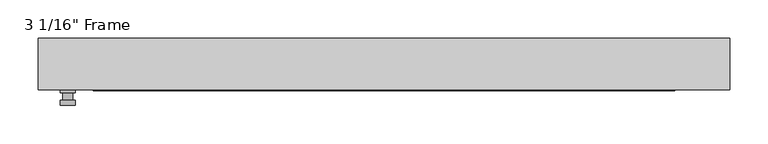
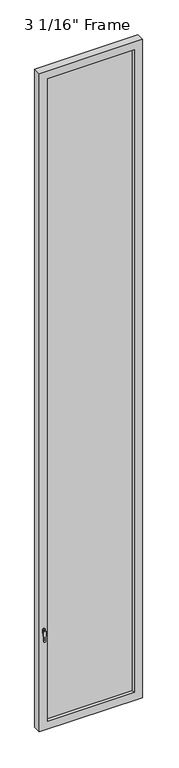
"""IFC4 building model written with IfcOpenShell, lengths in millimetres: plate geometry."""

import ifcopenshell
import ifcopenshell.guid

model = None  # the IFC model being written
_history = None  # IfcOwnerHistory: only IFC2X3 demands one
_inside = {}  # id of a spatial element -> (the spatial element, [elements in it])
_under = {}  # id of a project, library or spatial element -> (it, [spatial elements below it])
_declared = {}  # id of a project -> (the project, [libraries it declares])
_typed = {}  # id of a type object -> (the type object, [elements of that type])
_made_of = {}  # id of a material, layer set ... -> (it, [elements and type objects made of it])


def new_model(schema):
    """Start an empty IFC model of exactly this schema.

    Asked for "IFC4X3", IfcOpenShell would pick the latest addendum, in which some entities
    have other attributes; the version numbers below select the first issue.
    IFC2X3 requires an IfcOwnerHistory on every rooted entity: one is made here for all.
    """
    global model, _history
    if schema == "IFC4X3":
        model = ifcopenshell.file(schema_version=(4, 3, 0, 0))
    else:
        model = ifcopenshell.file(schema=schema)
    _inside.clear()
    _under.clear()
    _declared.clear()
    _typed.clear()
    _made_of.clear()
    _history = None
    if model.schema == "IFC2X3":
        org = make("IfcOrganization", Name="unknown")
        user = make(
            "IfcPersonAndOrganization",
            ThePerson=make("IfcPerson", FamilyName="unknown"),
            TheOrganization=org,
        )
        app = make(
            "IfcApplication",
            ApplicationDeveloper=org,
            Version="unknown",
            ApplicationFullName="unknown",
            ApplicationIdentifier="unknown",
        )
        _history = make(
            "IfcOwnerHistory",
            OwningUser=user,
            OwningApplication=app,
            ChangeAction="ADDED",
            CreationDate=0,
        )
    return model


def make(cls, **values):
    """One entity of the class cls with the attributes given. An attribute that is None is left unset."""
    return model.create_entity(
        cls, **{name: value for name, value in values.items() if value is not None}
    )


def rooted(cls, **values):
    """An entity with a GlobalId (a new one), such as an element, a storey or a relation."""
    return make(cls, GlobalId=ifcopenshell.guid.new(), OwnerHistory=_history, **values)


def si_unit(unit_type, name, prefix=None):
    """IfcSIUnit, for example si_unit("LENGTHUNIT", "METRE", prefix="MILLI")."""
    return make("IfcSIUnit", UnitType=unit_type, Prefix=prefix, Name=name)


def assignment(units):
    """IfcUnitAssignment: the units of a project."""
    return None if units is None else make("IfcUnitAssignment", Units=units)


def point(xyz):
    """IfcCartesianPoint."""
    return None if xyz is None else make("IfcCartesianPoint", Coordinates=xyz)


def direction(xyz):
    """IfcDirection."""
    return None if xyz is None else make("IfcDirection", DirectionRatios=xyz)


def frame(location, z_axis=None, x_axis=None):
    """IfcAxis2Placement3D, a coordinate frame: its origin and axes. An axis left out is left unset."""
    return make(
        "IfcAxis2Placement3D",
        Location=point(location),
        Axis=direction(z_axis),
        RefDirection=direction(x_axis),
    )


def origin():
    """The frame at (0, 0, 0) with its axes left unset."""
    return frame((0.0, 0.0, 0.0))


def place(relative_to, where):
    """IfcLocalPlacement: puts the frame where relative to a parent placement (None: the world)."""
    return make(
        "IfcLocalPlacement", PlacementRelTo=relative_to, RelativePlacement=where
    )


def context(
    kind, dimensions, precision=None, world=None, true_north=None, identifier=None
):
    """IfcGeometricRepresentationContext, for example the 3D "Model" context."""
    return make(
        "IfcGeometricRepresentationContext",
        ContextIdentifier=identifier,
        ContextType=kind,
        CoordinateSpaceDimension=dimensions,
        Precision=precision,
        WorldCoordinateSystem=world,
        TrueNorth=true_north,
    )


def project(units=None, contexts=None):
    """IfcProject with its units and contexts."""
    return rooted(
        "IfcProject",
        Name="project",
        RepresentationContexts=contexts,
        UnitsInContext=assignment(units),
    )


def spatial(cls, under=None, at=None, **own):
    """A site, building, storey or space (cls), placed at a placement, below another one or the project."""
    s = rooted(cls, ObjectPlacement=at, **own)
    if under is not None:
        _under.setdefault(under.id(), (under, []))[1].append(s)
    return s


def polyline(points):
    """IfcPolyline through the points."""
    return make("IfcPolyline", Points=[point(p) for p in points])


def circle_curve(where, radius):
    """IfcCircle in the frame where."""
    return make("IfcCircle", Position=where, Radius=radius)


def outline(outer, holes=None, kind="AREA"):
    """IfcArbitraryClosedProfileDef: a profile drawn as a closed curve; with holes, ...WithVoids."""
    if holes is None:
        return make("IfcArbitraryClosedProfileDef", ProfileType=kind, OuterCurve=outer)
    return make(
        "IfcArbitraryProfileDefWithVoids",
        ProfileType=kind,
        OuterCurve=outer,
        InnerCurves=holes,
    )


def extrude(swept, where, along, depth):
    """IfcExtrudedAreaSolid: the profile swept, set in the frame where, extruded along a direction by depth."""
    return make(
        "IfcExtrudedAreaSolid",
        SweptArea=swept,
        Position=where,
        ExtrudedDirection=direction(along),
        Depth=depth,
    )


def faces_of(points, faces, orient=None, outer=None):
    """IfcFace entities. A face is a list of loops; a loop is a list of indices into points, from 0.

    orient and outer hold one flag for each loop. By default every Orientation is true, the
    first loop of a face is its IfcFaceOuterBound and the others are IfcFaceBound.
    """
    made = []
    for i, loops in enumerate(faces):
        bounds = []
        for j, loop in enumerate(loops):
            is_outer = j == 0 if outer is None else outer[i][j]
            bounds.append(
                make(
                    "IfcFaceOuterBound" if is_outer else "IfcFaceBound",
                    Bound=make("IfcPolyLoop", Polygon=[points[k] for k in loop]),
                    Orientation=True if orient is None else orient[i][j],
                )
            )
        made.append(make("IfcFace", Bounds=bounds))
    return made


def faceted_brep(points, faces, orient=None, outer=None, voids=None):
    """IfcFacetedBrep: a solid bounded by flat faces; with voids (closed shells), ...WithVoids."""
    shared = [point(p) for p in points]
    hull = make("IfcClosedShell", CfsFaces=faces_of(shared, faces, orient, outer))
    if voids is None:
        return make("IfcFacetedBrep", Outer=hull)
    return make(
        "IfcFacetedBrepWithVoids",
        Outer=hull,
        Voids=[
            make(cls, CfsFaces=faces_of(shared, fs, o, b)) for cls, fs, o, b in voids
        ],
    )


def shape(context_of_items, identifier, shape_type, items):
    """IfcShapeRepresentation: the items that make up one representation, for example the "Body"."""
    return make(
        "IfcShapeRepresentation",
        ContextOfItems=context_of_items,
        RepresentationIdentifier=identifier,
        RepresentationType=shape_type,
        Items=items,
    )


def source(mapping_origin, context_of_items, identifier, shape_type, items):
    """IfcRepresentationMap: a shape defined once, which mapped items show again and again."""
    return make(
        "IfcRepresentationMap",
        MappingOrigin=mapping_origin,
        MappedRepresentation=shape(context_of_items, identifier, shape_type, items),
    )


def transform(
    local_origin,
    x_axis=None,
    y_axis=None,
    z_axis=None,
    scale=None,
    scale2=None,
    scale3=None,
    uniform=True,
):
    """IfcCartesianTransformationOperator3D, or its non-uniform kind. x_axis, y_axis, z_axis: its Axis1, 2, 3."""
    if uniform:
        return make(
            "IfcCartesianTransformationOperator3D",
            Axis1=direction(x_axis),
            Axis2=direction(y_axis),
            LocalOrigin=point(local_origin),
            Scale=scale,
            Axis3=direction(z_axis),
        )
    return make(
        "IfcCartesianTransformationOperator3DnonUniform",
        Axis1=direction(x_axis),
        Axis2=direction(y_axis),
        LocalOrigin=point(local_origin),
        Scale=scale,
        Axis3=direction(z_axis),
        Scale2=scale2,
        Scale3=scale3,
    )


def mapped(mapping_source, mapping_target):
    """IfcMappedItem: shows the shape of a source again, moved by a transform."""
    return make(
        "IfcMappedItem", MappingSource=mapping_source, MappingTarget=mapping_target
    )


def made_of(thing, what):
    """Note that an element or type object is made of a material, layer set ...; save() writes the relation."""
    if what is not None:
        _made_of.setdefault(what.id(), (what, []))[1].append(thing)
    return thing


def element(
    cls,
    number,
    at=None,
    inside=None,
    cuts=None,
    type_object=None,
    material=None,
    context=None,
    identifier="Body",
    shape_type=None,
    held_by="IfcProductDefinitionShape",
    body=None,
    shapes=None,
    **own,
):
    """One element of the class cls, such as IfcWall. Its Tag is "e" and its number.

    at: its placement. inside: the storey or other place that contains it. cuts: it is an
    opening in that element (IfcRelVoidsElement). A single representation is given by context,
    identifier, shape_type and body (its items); several are given by shapes. held_by: the class
    of the entity that holds the representations. save() writes the other relations.
    """
    e = rooted(cls, Tag="e%d" % number, ObjectPlacement=at, **own)
    if body is not None:
        shapes = [shape(context, identifier, shape_type, body)]
    if shapes is not None:
        e.Representation = make(held_by, Representations=shapes)
    if inside is not None:
        _inside.setdefault(inside.id(), (inside, []))[1].append(e)
    if cuts is not None:
        rooted(
            "IfcRelVoidsElement", RelatingBuildingElement=cuts, RelatedOpeningElement=e
        )
    if type_object is not None:
        _typed.setdefault(type_object.id(), (type_object, []))[1].append(e)
    return made_of(e, material)


def aggregate(whole, parts):
    """IfcRelAggregates: a whole, such as a stair, and the parts it consists of."""
    return rooted("IfcRelAggregates", RelatingObject=whole, RelatedObjects=parts)


def save(model, path):
    """Write the relations noted so far, then the file.

    IfcRelAggregates (storeys below a building ...), IfcRelContainedInSpatialStructure (elements
    in a storey), IfcRelDefinesByType, IfcRelAssociatesMaterial and IfcRelDeclares: one each for
    every whole, place, type object, material and project.
    """
    for whole, parts in _under.values():
        aggregate(whole, parts)
    for where, things in _inside.values():
        rooted(
            "IfcRelContainedInSpatialStructure",
            RelatedElements=things,
            RelatingStructure=where,
        )
    for kind, things in _typed.values():
        rooted("IfcRelDefinesByType", RelatedObjects=things, RelatingType=kind)
    for what, things in _made_of.values():
        rooted("IfcRelAssociatesMaterial", RelatedObjects=things, RelatingMaterial=what)
    for by, libraries in _declared.values():
        rooted("IfcRelDeclares", RelatingContext=by, RelatedDefinitions=libraries)
    model.write(path)


def plane_surface(at):
    """IfcPlane: the flat surface through the origin of the frame at, square to its z axis."""
    return make("IfcPlane", Position=at)


def cylinder_surface(at, radius):
    """IfcCylindricalSurface: all points at the distance radius from the z axis of the frame at."""
    return make("IfcCylindricalSurface", Position=at, Radius=radius)


def advanced_brep(points, edges, surfaces, faces):
    """IfcAdvancedBrep: a solid bounded by faces that lie on surfaces and meet in shared edges.

    An edge is (start, end): straight between two places in points (the first is 0);
    or (start, end, curve); or (start, end, curve, False) where it runs against its curve.
    A face is (place in surfaces, loops), or (place, loops, False) where it looks against
    its surface's normal. A loop lists edges by number (the first is 1), with a minus sign
    where the edge is run from its end to its start. The first loop is the outer one.
    """
    corners = [point(p) for p in points]
    vertices = [make("IfcVertexPoint", VertexGeometry=c) for c in corners]
    made = []
    for start, end, *more in edges:
        made.append(
            make(
                "IfcEdgeCurve",
                EdgeStart=vertices[start],
                EdgeEnd=vertices[end],
                EdgeGeometry=more[0] if more else make("IfcPolyline", Points=[corners[start], corners[end]]),
                SameSense=more[1] if len(more) > 1 else True,
            )
        )
    hull = []
    for where, loops, *sense in faces:
        bounds = []
        for j, loop in enumerate(loops):
            ring = [make("IfcOrientedEdge", EdgeElement=made[abs(k) - 1], Orientation=k > 0) for k in loop]
            bounds.append(
                make(
                    "IfcFaceOuterBound" if j == 0 else "IfcFaceBound",
                    Bound=make("IfcEdgeLoop", EdgeList=ring),
                    Orientation=True,
                )
            )
        hull.append(make("IfcAdvancedFace", Bounds=bounds, FaceSurface=surfaces[where], SameSense=sense[0] if sense else True))
    return make("IfcAdvancedBrep", Outer=make("IfcClosedShell", CfsFaces=hull))


def plate_d4b3f549(model_context):
    return source(origin(), model_context, "Body", "SolidModel", [
        advanced_brep(
        [(-401.6375, -33.3375, 927.1), (-401.6375, -33.3375, 901.7), (-420.6875, -33.3375, 901.7), (-420.6875, -33.3375, 927.1), (-404.8125, -46.0375, 914.4), (-417.5125, -46.0375, 914.4), (-417.5125, -36.5125, 914.4), (-404.8125, -36.5125, 914.4), (-401.6375, -46.0375, 914.4), (-404.8165356, -46.0375, 825.2736467), (-417.5084644, -46.0375, 825.2736467), (-420.6875, -46.0375, 914.4), (-401.6375, -52.3875, 914.4), (-420.6875, -52.3875, 914.4), (-417.5084644, -52.3875, 825.2736467), (-404.8165356, -52.3875, 825.2736467), (-401.6375, -36.5125, 927.1), (-420.6875, -36.5125, 927.1), (-420.6875, -36.5125, 901.7), (-401.6375, -36.5125, 901.7)],
        [
            (0, 1),
            (1, 2, circle_curve(frame((-411.1625, -33.3375, 901.7), z_axis=(0.0, 1.0, 0.0), x_axis=(-1.0, 0.0, 0.0)), 9.525)),
            (2, 3),
            (3, 0, circle_curve(frame((-411.1625, -33.3375, 927.1), z_axis=(0.0, 1.0, 0.0), x_axis=(-1.0, 0.0, 0.0)), 9.525)),
            (4, 5, circle_curve(frame((-411.1625, -46.0375, 914.4), z_axis=(0.0, 1.0, 0.0), x_axis=(-1.0, 0.0, 0.0)), 6.35)),
            (5, 6),
            (6, 7, circle_curve(frame((-411.1625, -36.5125, 914.4), z_axis=(0.0, -1.0, 0.0), x_axis=(-1.0, 0.0, 0.0)), 6.35)),
            (7, 4),
            (5, 4, circle_curve(frame((-411.1625, -46.0375, 914.4), z_axis=(0.0, 1.0, 0.0), x_axis=(-1.0, 0.0, 0.0)), 6.35)),
            (7, 6, circle_curve(frame((-411.1625, -36.5125, 914.4), z_axis=(0.0, -1.0, 0.0), x_axis=(-1.0, 0.0, 0.0)), 6.35)),
            (8, 9),
            (9, 10, circle_curve(frame((-411.1625, -46.0375, 825.5), z_axis=(0.0, 1.0, 0.0), x_axis=(-1.0, 0.0, 0.0)), 6.35)),
            (10, 11),
            (11, 8, circle_curve(frame((-411.1625, -46.0375, 914.4), z_axis=(0.0, 1.0, 0.0), x_axis=(-1.0, 0.0, 0.0)), 9.525)),
            (12, 13, circle_curve(frame((-411.1625, -52.3875, 914.4), z_axis=(0.0, -1.0, 0.0), x_axis=(-1.0, 0.0, 0.0)), 9.525)),
            (13, 14),
            (14, 15, circle_curve(frame((-411.1625, -52.3875, 825.5), z_axis=(0.0, -1.0, 0.0), x_axis=(-1.0, 0.0, 0.0)), 6.35)),
            (15, 12),
            (8, 12),
            (15, 9),
            (14, 10),
            (13, 11),
            (16, 17, circle_curve(frame((-411.1625, -36.5125, 927.1), z_axis=(0.0, -1.0, 0.0), x_axis=(-1.0, 0.0, 0.0)), 9.525)),
            (17, 18),
            (18, 19, circle_curve(frame((-411.1625, -36.5125, 901.7), z_axis=(0.0, -1.0, 0.0), x_axis=(-1.0, 0.0, 0.0)), 9.525)),
            (19, 16),
            (0, 16),
            (19, 1),
            (18, 2),
            (17, 3),
        ],
        [
            plane_surface(frame((-417.5125, -33.3375, 914.4), z_axis=(0.0, 1.0, 0.0), x_axis=(0.0, 0.0, 1.0))),
            cylinder_surface(frame((-411.1625, -46.0375, 914.4), z_axis=(0.0, 1.0, 0.0), x_axis=(-1.0, 0.0, 0.0)), 6.35),
            plane_surface(frame((-401.6375, -46.0375, 914.4), z_axis=(0.0, 1.0000000000000002, 0.0), x_axis=(-0.03564619348186888, 0.0, -0.9993644724975235))),
            plane_surface(frame((-401.6375, -52.3875, 914.4), z_axis=(0.0, -1.0000000000000002, 0.0), x_axis=(0.03564619348186888, 0.0, 0.9993644724975235))),
            plane_surface(frame((-401.6375, -46.0375, 914.4), z_axis=(0.9993644724975235, 0.0, -0.03564619348186888), x_axis=(0.0, -1.0, 0.0))),
            cylinder_surface(frame((-411.1625, -52.3875, 825.5), z_axis=(0.0, 1.0, 0.0), x_axis=(-1.0, 0.0, 0.0)), 6.35),
            plane_surface(frame((-417.5084644, -46.0375, 825.2736467), z_axis=(-0.9993644724975228, 0.0, -0.03564619348188612), x_axis=(0.0, -1.0, 0.0))),
            cylinder_surface(frame((-411.1625, -52.3875, 914.4), z_axis=(0.0, 1.0, 0.0), x_axis=(-1.0, 0.0, 0.0)), 9.525),
            plane_surface(frame((-401.6375, -36.5125, 901.7), z_axis=(0.0, -1.0, 0.0), x_axis=(0.0, 0.0, 1.0))),
            plane_surface(frame((-401.6375, -33.3375, 927.1), z_axis=(1.0, 0.0, 0.0), x_axis=(0.0, -1.0, 0.0))),
            cylinder_surface(frame((-411.1625, -36.5125, 901.7), z_axis=(0.0, 1.0, 0.0), x_axis=(-1.0, 0.0, 0.0)), 9.525),
            plane_surface(frame((-420.6875, -33.3375, 901.7), z_axis=(-1.0, 0.0, 0.0), x_axis=(0.0, -1.0, 0.0))),
            cylinder_surface(frame((-411.1625, -36.5125, 927.1), z_axis=(0.0, 1.0, 0.0), x_axis=(-1.0, 0.0, 0.0)), 9.525),
        ],
        [
            (0, [[1, 2, 3, 4]]),
            (1, [[5, 6, 7, 8]]),
            (1, [[9, -8, 10, -6]]),
            (2, [[11, 12, 13, 14], [-5, -9]]),
            (3, [[15, 16, 17, 18]]),
            (4, [[-11, 19, -18, 20]]),
            (5, [[-12, -20, -17, 21]]),
            (6, [[-13, -21, -16, 22]]),
            (7, [[-14, -22, -15, -19]]),
            (8, [[23, 24, 25, 26], [-7, -10]]),
            (9, [[-1, 27, -26, 28]]),
            (10, [[-2, -28, -25, 29]]),
            (11, [[-3, -29, -24, 30]]),
            (12, [[-4, -30, -23, -27]]),
        ],
    ),
        faceted_brep([(-449.2625, -33.3375, 0.0), (-449.2625, 33.3375, 0.0), (449.2625, 33.3375, 0.0), (449.2625, -33.3375, 0.0), (449.2625, -33.3375, 6038.85), (-449.2625, -33.3375, 6038.85), (-377.825, -33.3375, 5967.4125), (377.825, -33.3375, 5967.4125), (377.825, -33.3375, 71.4375), (-377.825, -33.3375, 71.4375), (-449.2625, 33.3375, 6038.85), (449.2625, 33.3375, 6038.85), (-377.825, 33.3375, 5967.4125), (-377.825, 33.3375, 71.4375), (377.825, 33.3375, 71.4375), (377.825, 33.3375, 5967.4125), (-371.475, 11.90625, 5961.0625), (-371.475, 11.90625, 77.7875), (384.175, 11.90625, 5973.7625), (-384.175, 11.90625, 5973.7625), (-384.175, 11.90625, 65.0875), (384.175, 11.90625, 65.0875), (371.475, 11.90625, 5961.0625), (371.475, 11.90625, 77.7875), (-384.175, -11.90625, 5973.7625), (-384.175, -11.90625, 65.0875), (384.175, -11.90625, 5973.7625), (384.175, -11.90625, 65.0875), (-371.475, -11.90625, 5961.0625), (-371.475, -11.90625, 77.7875), (371.475, -11.90625, 77.7875), (371.475, -11.90625, 5961.0625)], [[[0, 1, 2, 3]], [[0, 3, 4, 5], [6, 7, 8, 9]], [[1, 0, 5, 10]], [[2, 1, 10, 11], [12, 13, 14, 15]], [[12, 16, 17, 13]], [[18, 19, 20, 21], [16, 22, 23, 17]], [[20, 19, 24, 25]], [[24, 26, 27, 25], [28, 29, 30, 31]], [[28, 6, 9, 29]], [[5, 4, 11, 10]], [[12, 15, 22, 16]], [[19, 18, 26, 24]], [[7, 6, 28, 31]], [[4, 3, 2, 11]], [[22, 15, 14, 23]], [[27, 26, 18, 21]], [[7, 31, 30, 8]], [[9, 8, 30, 29]], [[21, 20, 25, 27]], [[17, 23, 14, 13]]]),
        extrude(outline(polyline([(384.175, -11.90625), (-384.175, -11.90625), (-384.175, 11.90625), (384.175, 11.90625), (384.175, -11.90625)])), frame((0.0, 0.0, 65.0875), z_axis=(0.0, 0.0, 1.0), x_axis=(1.0, 0.0, 0.0)), (0.0, 0.0, 1.0), 5908.675),
    ])


if __name__ == "__main__":
    model = new_model("IFC4")
    model_context = context("Model", 3, world=origin())
    ifc_project = project(units=[si_unit("LENGTHUNIT", "METRE", prefix="MILLI")], contexts=[model_context])
    site = spatial("IfcSite", under=ifc_project)
    building = spatial("IfcBuilding", under=site)
    placement = place(None, origin())
    plate_shape = plate_d4b3f549(model_context)
    element("IfcPlate", 1, ObjectType="3 1/16\" Frame", at=placement, inside=building, context=model_context, shape_type="MappedRepresentation", body=[
        mapped(plate_shape, transform((0.0, 0.0, 0.0), x_axis=(1.0, 0.0, 0.0), y_axis=(0.0, 1.0, 0.0), z_axis=(0.0, 0.0, 1.0))),
    ])
    save(model, "model.ifc")
